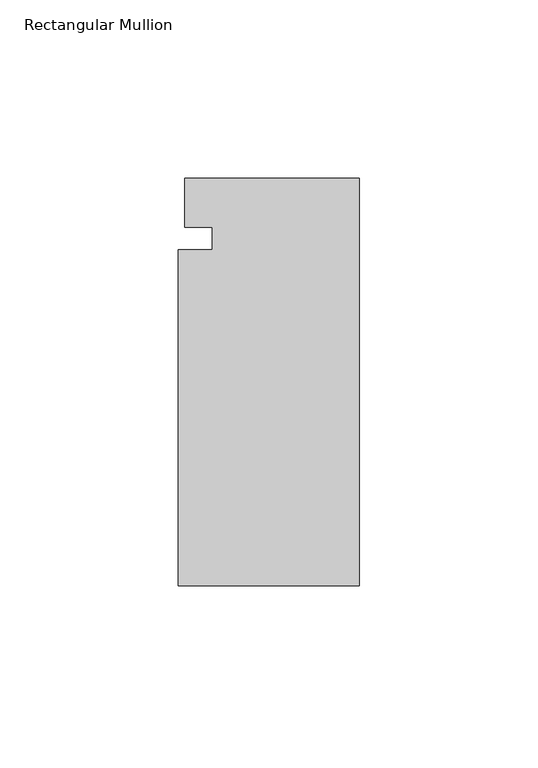
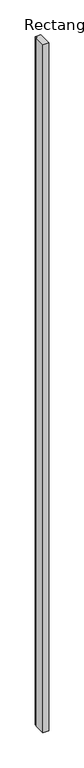
"""IFC4 building model written with IfcOpenShell, lengths in millimetres: member geometry, Rectangular Mullion."""

import ifcopenshell
import ifcopenshell.guid

model = None  # the IFC model being written
_history = None  # IfcOwnerHistory: only IFC2X3 demands one
_inside = {}  # id of a spatial element -> (the spatial element, [elements in it])
_under = {}  # id of a project, library or spatial element -> (it, [spatial elements below it])
_declared = {}  # id of a project -> (the project, [libraries it declares])
_typed = {}  # id of a type object -> (the type object, [elements of that type])
_made_of = {}  # id of a material, layer set ... -> (it, [elements and type objects made of it])


def new_model(schema):
    """Start an empty IFC model of exactly this schema.

    Asked for "IFC4X3", IfcOpenShell would pick the latest addendum, in which some entities
    have other attributes; the version numbers below select the first issue.
    IFC2X3 requires an IfcOwnerHistory on every rooted entity: one is made here for all.
    """
    global model, _history
    if schema == "IFC4X3":
        model = ifcopenshell.file(schema_version=(4, 3, 0, 0))
    else:
        model = ifcopenshell.file(schema=schema)
    _inside.clear()
    _under.clear()
    _declared.clear()
    _typed.clear()
    _made_of.clear()
    _history = None
    if model.schema == "IFC2X3":
        org = make("IfcOrganization", Name="unknown")
        user = make(
            "IfcPersonAndOrganization",
            ThePerson=make("IfcPerson", FamilyName="unknown"),
            TheOrganization=org,
        )
        app = make(
            "IfcApplication",
            ApplicationDeveloper=org,
            Version="unknown",
            ApplicationFullName="unknown",
            ApplicationIdentifier="unknown",
        )
        _history = make(
            "IfcOwnerHistory",
            OwningUser=user,
            OwningApplication=app,
            ChangeAction="ADDED",
            CreationDate=0,
        )
    return model


def make(cls, **values):
    """One entity of the class cls with the attributes given. An attribute that is None is left unset."""
    return model.create_entity(
        cls, **{name: value for name, value in values.items() if value is not None}
    )


def rooted(cls, **values):
    """An entity with a GlobalId (a new one), such as an element, a storey or a relation."""
    return make(cls, GlobalId=ifcopenshell.guid.new(), OwnerHistory=_history, **values)


def si_unit(unit_type, name, prefix=None):
    """IfcSIUnit, for example si_unit("LENGTHUNIT", "METRE", prefix="MILLI")."""
    return make("IfcSIUnit", UnitType=unit_type, Prefix=prefix, Name=name)


def assignment(units):
    """IfcUnitAssignment: the units of a project."""
    return None if units is None else make("IfcUnitAssignment", Units=units)


def point(xyz):
    """IfcCartesianPoint."""
    return None if xyz is None else make("IfcCartesianPoint", Coordinates=xyz)


def direction(xyz):
    """IfcDirection."""
    return None if xyz is None else make("IfcDirection", DirectionRatios=xyz)


def frame(location, z_axis=None, x_axis=None):
    """IfcAxis2Placement3D, a coordinate frame: its origin and axes. An axis left out is left unset."""
    return make(
        "IfcAxis2Placement3D",
        Location=point(location),
        Axis=direction(z_axis),
        RefDirection=direction(x_axis),
    )


def origin():
    """The frame at (0, 0, 0) with its axes left unset."""
    return frame((0.0, 0.0, 0.0))


def place(relative_to, where):
    """IfcLocalPlacement: puts the frame where relative to a parent placement (None: the world)."""
    return make(
        "IfcLocalPlacement", PlacementRelTo=relative_to, RelativePlacement=where
    )


def context(
    kind, dimensions, precision=None, world=None, true_north=None, identifier=None
):
    """IfcGeometricRepresentationContext, for example the 3D "Model" context."""
    return make(
        "IfcGeometricRepresentationContext",
        ContextIdentifier=identifier,
        ContextType=kind,
        CoordinateSpaceDimension=dimensions,
        Precision=precision,
        WorldCoordinateSystem=world,
        TrueNorth=true_north,
    )


def project(units=None, contexts=None):
    """IfcProject with its units and contexts."""
    return rooted(
        "IfcProject",
        Name="project",
        RepresentationContexts=contexts,
        UnitsInContext=assignment(units),
    )


def spatial(cls, under=None, at=None, **own):
    """A site, building, storey or space (cls), placed at a placement, below another one or the project."""
    s = rooted(cls, ObjectPlacement=at, **own)
    if under is not None:
        _under.setdefault(under.id(), (under, []))[1].append(s)
    return s


def polyline(points):
    """IfcPolyline through the points."""
    return make("IfcPolyline", Points=[point(p) for p in points])


def outline(outer, holes=None, kind="AREA"):
    """IfcArbitraryClosedProfileDef: a profile drawn as a closed curve; with holes, ...WithVoids."""
    if holes is None:
        return make("IfcArbitraryClosedProfileDef", ProfileType=kind, OuterCurve=outer)
    return make(
        "IfcArbitraryProfileDefWithVoids",
        ProfileType=kind,
        OuterCurve=outer,
        InnerCurves=holes,
    )


def extrude(swept, where, along, depth):
    """IfcExtrudedAreaSolid: the profile swept, set in the frame where, extruded along a direction by depth."""
    return make(
        "IfcExtrudedAreaSolid",
        SweptArea=swept,
        Position=where,
        ExtrudedDirection=direction(along),
        Depth=depth,
    )


def shape(context_of_items, identifier, shape_type, items):
    """IfcShapeRepresentation: the items that make up one representation, for example the "Body"."""
    return make(
        "IfcShapeRepresentation",
        ContextOfItems=context_of_items,
        RepresentationIdentifier=identifier,
        RepresentationType=shape_type,
        Items=items,
    )


def source(mapping_origin, context_of_items, identifier, shape_type, items):
    """IfcRepresentationMap: a shape defined once, which mapped items show again and again."""
    return make(
        "IfcRepresentationMap",
        MappingOrigin=mapping_origin,
        MappedRepresentation=shape(context_of_items, identifier, shape_type, items),
    )


def transform(
    local_origin,
    x_axis=None,
    y_axis=None,
    z_axis=None,
    scale=None,
    scale2=None,
    scale3=None,
    uniform=True,
):
    """IfcCartesianTransformationOperator3D, or its non-uniform kind. x_axis, y_axis, z_axis: its Axis1, 2, 3."""
    if uniform:
        return make(
            "IfcCartesianTransformationOperator3D",
            Axis1=direction(x_axis),
            Axis2=direction(y_axis),
            LocalOrigin=point(local_origin),
            Scale=scale,
            Axis3=direction(z_axis),
        )
    return make(
        "IfcCartesianTransformationOperator3DnonUniform",
        Axis1=direction(x_axis),
        Axis2=direction(y_axis),
        LocalOrigin=point(local_origin),
        Scale=scale,
        Axis3=direction(z_axis),
        Scale2=scale2,
        Scale3=scale3,
    )


def mapped(mapping_source, mapping_target):
    """IfcMappedItem: shows the shape of a source again, moved by a transform."""
    return make(
        "IfcMappedItem", MappingSource=mapping_source, MappingTarget=mapping_target
    )


def made_of(thing, what):
    """Note that an element or type object is made of a material, layer set ...; save() writes the relation."""
    if what is not None:
        _made_of.setdefault(what.id(), (what, []))[1].append(thing)
    return thing


def element(
    cls,
    number,
    at=None,
    inside=None,
    cuts=None,
    type_object=None,
    material=None,
    context=None,
    identifier="Body",
    shape_type=None,
    held_by="IfcProductDefinitionShape",
    body=None,
    shapes=None,
    **own,
):
    """One element of the class cls, such as IfcWall. Its Tag is "e" and its number.

    at: its placement. inside: the storey or other place that contains it. cuts: it is an
    opening in that element (IfcRelVoidsElement). A single representation is given by context,
    identifier, shape_type and body (its items); several are given by shapes. held_by: the class
    of the entity that holds the representations. save() writes the other relations.
    """
    e = rooted(cls, Tag="e%d" % number, ObjectPlacement=at, **own)
    if body is not None:
        shapes = [shape(context, identifier, shape_type, body)]
    if shapes is not None:
        e.Representation = make(held_by, Representations=shapes)
    if inside is not None:
        _inside.setdefault(inside.id(), (inside, []))[1].append(e)
    if cuts is not None:
        rooted(
            "IfcRelVoidsElement", RelatingBuildingElement=cuts, RelatedOpeningElement=e
        )
    if type_object is not None:
        _typed.setdefault(type_object.id(), (type_object, []))[1].append(e)
    return made_of(e, material)


def aggregate(whole, parts):
    """IfcRelAggregates: a whole, such as a stair, and the parts it consists of."""
    return rooted("IfcRelAggregates", RelatingObject=whole, RelatedObjects=parts)


def save(model, path):
    """Write the relations noted so far, then the file.

    IfcRelAggregates (storeys below a building ...), IfcRelContainedInSpatialStructure (elements
    in a storey), IfcRelDefinesByType, IfcRelAssociatesMaterial and IfcRelDeclares: one each for
    every whole, place, type object, material and project.
    """
    for whole, parts in _under.values():
        aggregate(whole, parts)
    for where, things in _inside.values():
        rooted(
            "IfcRelContainedInSpatialStructure",
            RelatedElements=things,
            RelatingStructure=where,
        )
    for kind, things in _typed.values():
        rooted("IfcRelDefinesByType", RelatedObjects=things, RelatingType=kind)
    for what, things in _made_of.values():
        rooted("IfcRelAssociatesMaterial", RelatedObjects=things, RelatingMaterial=what)
    for by, libraries in _declared.values():
        rooted("IfcRelDeclares", RelatingContext=by, RelatedDefinitions=libraries)
    model.write(path)


def rectangular_mullion_2bbcdf6c(model_context):
    return source(origin(), model_context, "Body", "SweptSolid", [
        extrude(outline(polyline([(0.0, -56.6359687), (-50.8, -56.6359687), (-50.8, 37.55926), (-41.275, 37.55926), (-41.275, 43.90926), (-49.0449765, 43.90926), (-49.0449765, 57.6640313), (0.0, 57.6640313), (0.0, -56.6359687)])), frame((0.0, 0.0, -6096.0), z_axis=(0.0, 0.0, 1.0), x_axis=(1.0, 0.0, 0.0)), (0.0, 0.0, 1.0), 6096.0),
    ])


if __name__ == "__main__":
    model = new_model("IFC4")
    model_context = context("Model", 3, world=origin())
    ifc_project = project(units=[si_unit("LENGTHUNIT", "METRE", prefix="MILLI")], contexts=[model_context])
    site = spatial("IfcSite", under=ifc_project)
    building = spatial("IfcBuilding", under=site)
    placement = place(None, origin())
    rectangular_mullion_shape = rectangular_mullion_2bbcdf6c(model_context)
    element("IfcMember", 1, ObjectType="Rectangular Mullion", at=placement, inside=building, context=model_context, shape_type="MappedRepresentation", body=[
        mapped(rectangular_mullion_shape, transform((0.0, 0.0, 0.0), x_axis=(1.0, 0.0, 0.0), y_axis=(0.0, 1.0, 0.0), z_axis=(0.0, 0.0, 1.0))),
    ])
    save(model, "model.ifc")
